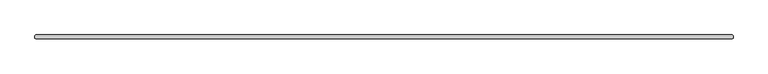
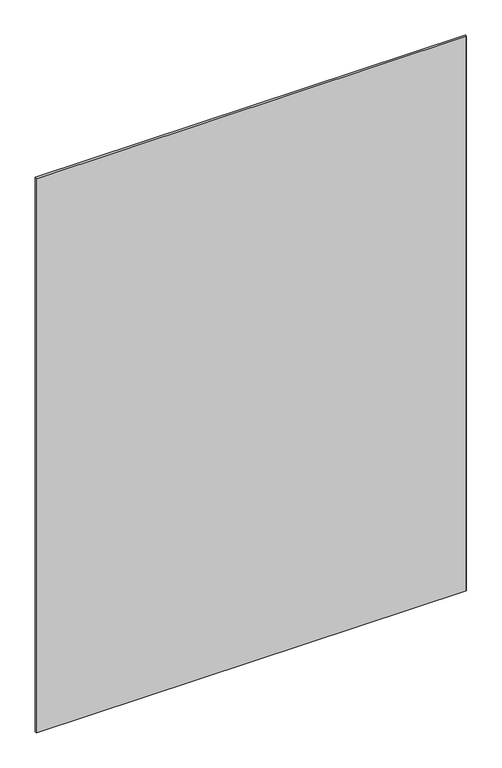
"""IFC4 building model written with IfcOpenShell, lengths in millimetres: plate geometry."""

from ifc_helpers import new_model, si_unit, origin, origin_with_axes, place, context, project, spatial, polyline, outline, extrude, source, transform, mapped, element, save


def plate_cdff17cd(model_context):
    return source(origin(), model_context, "Body", "SweptSolid", [
        extrude(outline(polyline([(887.4125, -34.925), (-887.4125, -34.925), (-889.0, -33.3375), (-889.0, -26.9875), (-887.4125, -25.4), (887.4125, -25.4), (889.0, -26.9875), (889.0, -33.3375), (887.4125, -34.925)])), origin_with_axes(), (0.0, 0.0, 1.0), 2417.075),
    ])


if __name__ == "__main__":
    model = new_model("IFC4")
    model_context = context("Model", 3, world=origin())
    ifc_project = project(units=[si_unit("LENGTHUNIT", "METRE", prefix="MILLI")], contexts=[model_context])
    site = spatial("IfcSite", under=ifc_project)
    building = spatial("IfcBuilding", under=site)
    placement = place(None, origin())
    plate_shape = plate_cdff17cd(model_context)
    element("IfcPlate", 1, at=placement, inside=building, context=model_context, shape_type="MappedRepresentation", body=[
        mapped(plate_shape, transform((0.0, 0.0, 0.0), x_axis=(1.0, 0.0, 0.0), y_axis=(0.0, 1.0, 0.0), z_axis=(0.0, 0.0, 1.0))),
    ])
    save(model, "model.ifc")
